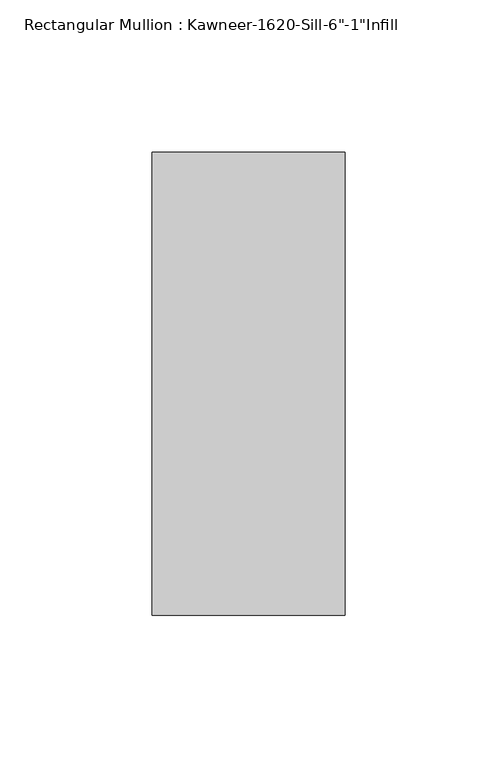
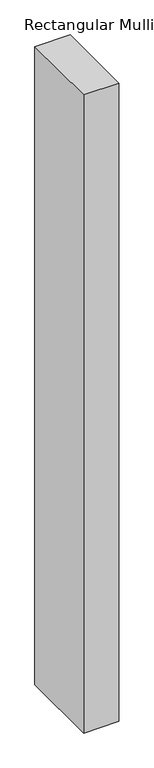
"""IFC4 building model written with IfcOpenShell, lengths in millimetres: member geometry."""

from ifc_helpers import new_model, si_unit, frame, origin, place, context, project, spatial, polyline, outline, extrude, source, transform, mapped, element, save


def member_1ba572c0(model_context):
    return source(origin(), model_context, "Body", "SweptSolid", [
        extrude(outline(polyline([(-63.5, 38.1), (0.0, 38.1), (0.0, -114.3), (-63.5, -114.3), (-63.5, 38.1)])), frame((0.0, 0.0, -1218.1973888), z_axis=(0.0, 0.0, 1.0), x_axis=(1.0, 0.0, 0.0)), (0.0, 0.0, 1.0), 1218.1973888),
    ])


if __name__ == "__main__":
    model = new_model("IFC4")
    model_context = context("Model", 3, world=origin())
    ifc_project = project(units=[si_unit("LENGTHUNIT", "METRE", prefix="MILLI")], contexts=[model_context])
    site = spatial("IfcSite", under=ifc_project)
    building = spatial("IfcBuilding", under=site)
    placement = place(None, origin())
    member_shape = member_1ba572c0(model_context)
    element("IfcMember", 1, ObjectType="Rectangular Mullion : Kawneer-1620-Sill-6\"-1\"Infill", at=placement, inside=building, context=model_context, shape_type="MappedRepresentation", body=[
        mapped(member_shape, transform((0.0, 0.0, 0.0), x_axis=(1.0, 0.0, 0.0), y_axis=(0.0, 1.0, 0.0), z_axis=(0.0, 0.0, 1.0))),
    ])
    save(model, "model.ifc")
